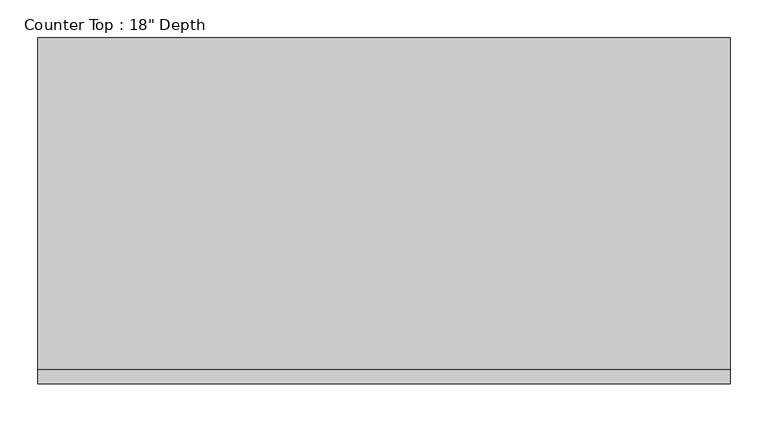
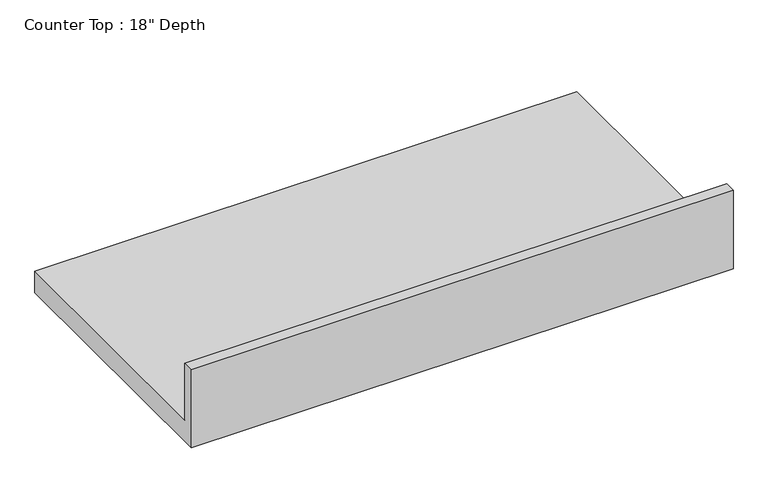
"""IFC4 building model written with IfcOpenShell, lengths in millimetres: furniture geometry."""

from ifc_helpers import new_model, si_unit, frame, origin, place, context, project, spatial, polyline, outline, extrude, source, transform, mapped, element, save


def furniture_2eade643(model_context):
    return source(origin(), model_context, "Body", "SweptSolid", [
        extrude(outline(polyline([(0.0, 889.0), (19.05, 889.0), (19.05, 787.4), (457.2, 787.4), (457.2, 749.3), (0.0, 749.3), (0.0, 889.0)])), frame((-1200.4622951, 0.0, 0.0), z_axis=(1.0, 0.0, 0.0), x_axis=(0.0, 1.0, 0.0)), (0.0, 0.0, 1.0), 914.4),
    ])


if __name__ == "__main__":
    model = new_model("IFC4")
    model_context = context("Model", 3, world=origin())
    ifc_project = project(units=[si_unit("LENGTHUNIT", "METRE", prefix="MILLI")], contexts=[model_context])
    site = spatial("IfcSite", under=ifc_project)
    building = spatial("IfcBuilding", under=site)
    placement = place(None, origin())
    furniture_shape = furniture_2eade643(model_context)
    element("IfcFurniture", 1, ObjectType="Counter Top : 18\" Depth", at=placement, inside=building, context=model_context, shape_type="MappedRepresentation", body=[
        mapped(furniture_shape, transform((0.0, 0.0, 0.0), x_axis=(1.0, 0.0, 0.0), y_axis=(0.0, 1.0, 0.0), z_axis=(0.0, 0.0, 1.0))),
    ])
    save(model, "model.ifc")
